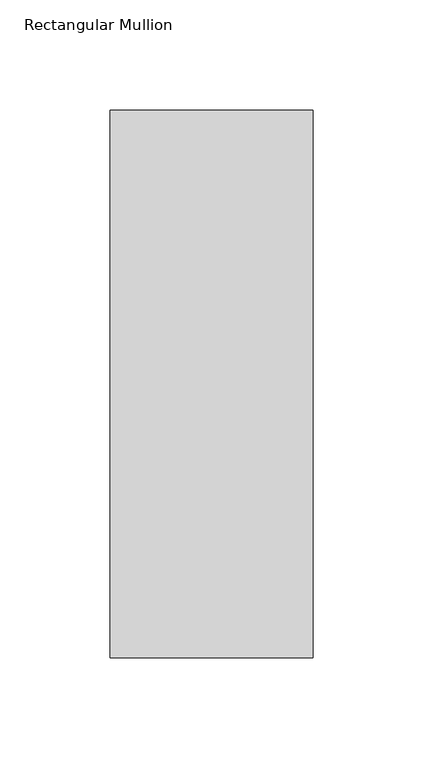
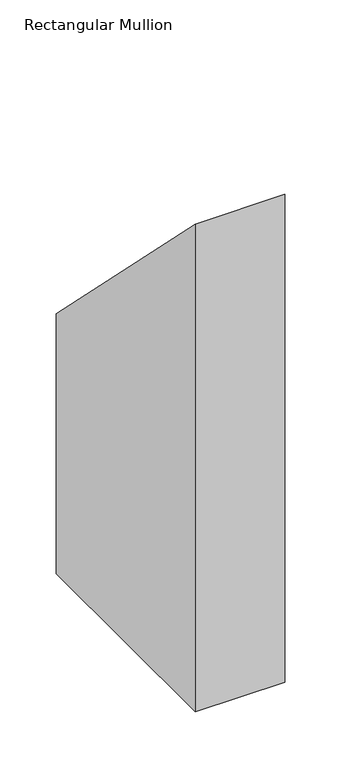
"""IFC4 building model written with IfcOpenShell, lengths in millimetres: member geometry, Rectangular Mullion."""

from ifc_helpers import new_model, si_unit, origin, place, context, project, spatial, faceted_brep, source, transform, mapped, element, save


def rectangular_mullion_48f15f61(model_context):
    return source(origin(), model_context, "Body", "Brep", [
        faceted_brep([(0.0154385, 295.1925444, -577.85), (-0.0032178, 46.755144, -577.85), (-92.1036175, 46.7620603, -577.85), (-92.0849612, 295.1994606, -577.85), (-92.0849612, 295.1994606, -295.1994606), (0.0154385, 295.1925444, -295.1925444), (-92.1036175, 46.7620603, -46.7620603), (-0.0032178, 46.755144, -46.755144)], [[[0, 1, 2, 3]], [[4, 5, 0, 3]], [[6, 4, 3, 2]], [[7, 6, 2, 1]], [[5, 7, 1, 0]], [[5, 4, 6, 7]]]),
    ])


if __name__ == "__main__":
    model = new_model("IFC4")
    model_context = context("Model", 3, world=origin())
    ifc_project = project(units=[si_unit("LENGTHUNIT", "METRE", prefix="MILLI")], contexts=[model_context])
    site = spatial("IfcSite", under=ifc_project)
    building = spatial("IfcBuilding", under=site)
    placement = place(None, origin())
    rectangular_mullion_shape = rectangular_mullion_48f15f61(model_context)
    element("IfcMember", 1, ObjectType="Rectangular Mullion", at=placement, inside=building, context=model_context, shape_type="MappedRepresentation", body=[
        mapped(rectangular_mullion_shape, transform((0.0, 0.0, 0.0), x_axis=(1.0, 0.0, 0.0), y_axis=(0.0, 1.0, 0.0), z_axis=(0.0, 0.0, 1.0))),
    ])
    save(model, "model.ifc")
